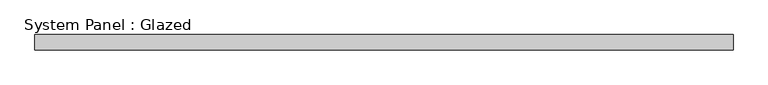
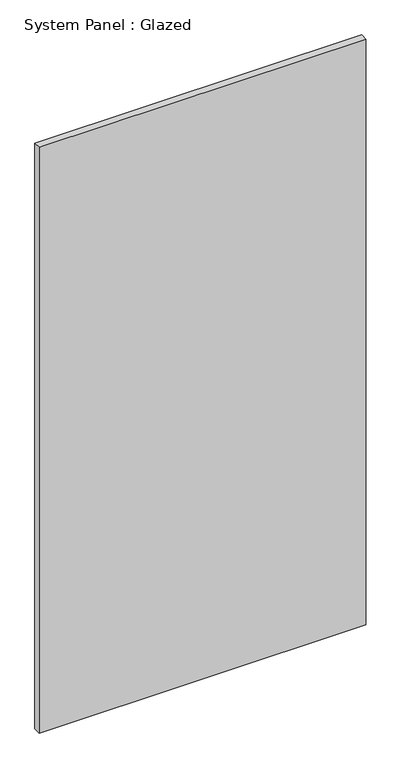
"""IFC4 building model written with IfcOpenShell, lengths in millimetres: plate geometry, System Panel : Glazed."""

from ifc_helpers import new_model, si_unit, origin, origin_with_axes, place, context, project, spatial, polyline, outline, extrude, source, transform, mapped, element, save


def system_panel_glazed_06886440(model_context):
    return source(origin(), model_context, "Body", "SweptSolid", [
        extrude(outline(polyline([(577.85, 19.05), (-577.85, 19.05), (-577.85, 44.45), (577.85, 44.45), (577.85, 19.05)])), origin_with_axes(), (0.0, 0.0, 1.0), 2190.75),
    ])


if __name__ == "__main__":
    model = new_model("IFC4")
    model_context = context("Model", 3, world=origin())
    ifc_project = project(units=[si_unit("LENGTHUNIT", "METRE", prefix="MILLI")], contexts=[model_context])
    site = spatial("IfcSite", under=ifc_project)
    building = spatial("IfcBuilding", under=site)
    placement = place(None, origin())
    system_panel_glazed_shape = system_panel_glazed_06886440(model_context)
    element("IfcPlate", 1, ObjectType="System Panel : Glazed", at=placement, inside=building, context=model_context, shape_type="MappedRepresentation", body=[
        mapped(system_panel_glazed_shape, transform((0.0, 0.0, 0.0), x_axis=(1.0, 0.0, 0.0), y_axis=(0.0, 1.0, 0.0), z_axis=(0.0, 0.0, 1.0))),
    ])
    save(model, "model.ifc")
